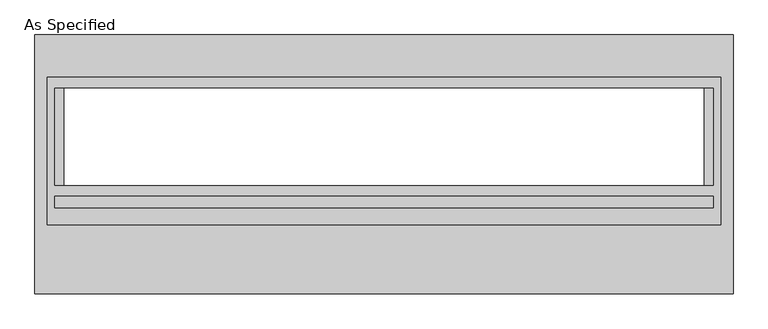
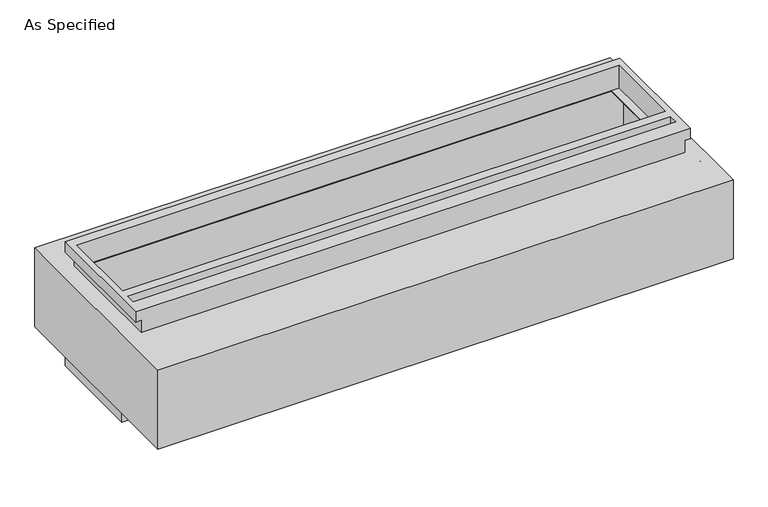
"""IFC4 building model written with IfcOpenShell, lengths in millimetres: proxy geometry, As Specified."""

from ifc_helpers import new_model, si_unit, frame, origin, place, context, project, spatial, polyline, circle_curve, faceted_brep, source, transform, mapped, element, save
from ifc_brep_helpers import plane_surface, revolved_surface, advanced_brep


def as_specified_3e369093(model_context):
    return source(origin(), model_context, "Body", "SolidModel", [
        faceted_brep([(1765.3, 456.4558594, -682.7242188), (1765.3, -165.8441406, -682.7242188), (-1765.3, -165.8441406, -682.7242188), (-1765.3, 456.4558594, -682.7242188), (1727.2, -108.7933661, -682.7242188), (1727.2, 399.2065905, -682.7242188), (-1727.2, 399.2065905, -682.7242188), (-1727.2, -108.7933661, -682.7242188), (-1730.375, -165.8441406, -530.3242188), (1730.375, -165.8441406, -530.3242188), (1730.375, 421.5308594, -530.3242188), (-1730.375, 421.5308594, -530.3242188), (1727.2, 399.2065905, -530.3242188), (1727.2, -108.7933661, -530.3242188), (1676.4, -108.7933661, -530.3242188), (-1676.4, -108.7933661, -530.3242188), (-1727.2, -108.7933661, -530.3242188), (-1727.2, 399.2065905, -530.3242188), (-1676.4, 399.2065905, -530.3242188), (1676.4, 399.2065905, -530.3242188), (-1765.3, 456.4558594, -612.8742188), (1765.3, 456.4558594, -612.8742188), (-1765.3, -165.8441406, -612.8742188), (1765.3, -165.8441406, -612.8742188), (1730.375, -165.8441406, -612.8742188), (-1730.375, -165.8441406, -612.8742188), (-1730.375, 421.5308594, -612.8742188), (1730.375, 421.5308594, -612.8742188)], [[[0, 1, 2, 3], [4, 5, 6, 7]], [[8, 9, 10, 11], [12, 13, 14, 15, 16, 17, 18, 19]], [[0, 3, 20, 21]], [[3, 2, 22, 20]], [[2, 1, 23, 24, 9, 8, 25, 22]], [[1, 0, 21, 23]], [[26, 27, 24, 23, 21, 20, 22, 25]], [[27, 10, 9, 24]], [[27, 26, 11, 10]], [[11, 26, 25, 8]], [[12, 5, 4, 13]], [[13, 4, 7, 16, 15, 14]], [[16, 7, 6, 17]], [[5, 12, 19, 18, 17, 6]]]),
        advanced_brep(
        [(1831.18125, 678.7058594, -530.3242188), (1831.18125, -678.7058594, -530.3242188), (-1831.18125, -678.7058594, -530.3242188), (-1831.18125, 678.7058594, -530.3242188), (1676.4, -108.7933661, -530.3242188), (1676.4, 399.2065905, -530.3242188), (-1676.4, 399.2065905, -530.3242188), (-1676.4, -108.7933661, -530.3242188), (1831.18125, 678.7058594, 0.0), (-1831.18125, 678.7058594, 0.0), (-1831.18125, -678.7058594, 0.0), (1831.18125, -678.7058594, 0.0), (1676.4, 399.2065905, 0.0), (1676.4, -108.7933661, 0.0), (-1676.4, -108.7933661, 0.0), (-1676.4, 399.2065905, 0.0), (1831.18125, -318.2441406, -430.3117188), (1831.18125, -340.4691406, -430.3117188), (1831.18125, -216.6441406, -430.3117188), (1831.18125, -238.8691406, -430.3117188), (1831.18125, -318.2441406, -100.1117188), (1831.18125, -340.4691406, -100.1117188), (1831.18125, -216.6441406, -100.1117188), (1831.18125, -238.8691406, -100.1117188), (1765.3, 416.7683594, -527.05), (-1765.3, 416.7683594, -527.05), (-1765.3, -129.3316406, -527.05), (1765.3, -129.3316406, -527.05), (1676.4, 399.2065905, -527.05), (1676.4, -108.7933661, -527.05), (-1676.4, -108.7933661, -527.05), (-1676.4, 399.2065905, -527.05), (1765.3, 416.7683594, -3.175), (1765.3, -129.3316406, -3.175), (-1765.3, -129.3316406, -3.175), (-1765.3, 416.7683594, -3.175), (1676.4, -108.7933661, -3.175), (1676.4, 399.2065905, -3.175), (-1676.4, 399.2065905, -3.175), (-1676.4, -108.7933661, -3.175), (1815.328271, -340.4691406, -430.3117188), (1815.328271, -318.2441406, -430.3117188), (1815.328271, -238.8691406, -430.3117188), (1815.328271, -216.6441406, -430.3117188), (1815.328271, -340.4691406, -100.1117188), (1815.328271, -318.2441406, -100.1117188), (1815.328271, -238.8691406, -100.1117188), (1815.328271, -216.6441406, -100.1117188)],
        [
            (0, 1),
            (1, 2),
            (2, 3),
            (3, 0),
            (4, 5),
            (5, 6),
            (6, 7),
            (7, 4),
            (8, 9),
            (9, 10),
            (10, 11),
            (11, 8),
            (12, 13),
            (13, 14),
            (14, 15),
            (15, 12),
            (3, 9),
            (8, 0),
            (2, 10),
            (1, 11),
            (16, 17, circle_curve(frame((1831.18125, -329.3566406, -430.3117188), z_axis=(-1.0, 0.0, 0.0), x_axis=(0.0, 1.0, 0.0)), 11.1125)),
            (17, 16, circle_curve(frame((1831.18125, -329.3566406, -430.3117188), z_axis=(-1.0, 0.0, 0.0), x_axis=(0.0, 1.0, 0.0)), 11.1125)),
            (18, 19, circle_curve(frame((1831.18125, -227.7566406, -430.3117188), z_axis=(-1.0, 0.0, 0.0), x_axis=(0.0, 1.0, 0.0)), 11.1125)),
            (19, 18, circle_curve(frame((1831.18125, -227.7566406, -430.3117188), z_axis=(-1.0, 0.0, 0.0), x_axis=(0.0, 1.0, 0.0)), 11.1125)),
            (20, 21, circle_curve(frame((1831.18125, -329.3566406, -100.1117188), z_axis=(-1.0, 0.0, 0.0), x_axis=(0.0, 1.0, 0.0)), 11.1125)),
            (21, 20, circle_curve(frame((1831.18125, -329.3566406, -100.1117188), z_axis=(-1.0, 0.0, 0.0), x_axis=(0.0, 1.0, 0.0)), 11.1125)),
            (22, 23, circle_curve(frame((1831.18125, -227.7566406, -100.1117188), z_axis=(-1.0, 0.0, 0.0), x_axis=(0.0, 1.0, 0.0)), 11.1125)),
            (23, 22, circle_curve(frame((1831.18125, -227.7566406, -100.1117188), z_axis=(-1.0, 0.0, 0.0), x_axis=(0.0, 1.0, 0.0)), 11.1125)),
            (24, 25),
            (25, 26),
            (26, 27),
            (27, 24),
            (28, 29),
            (29, 30),
            (30, 31),
            (31, 28),
            (32, 33),
            (33, 34),
            (34, 35),
            (35, 32),
            (36, 37),
            (37, 38),
            (38, 39),
            (39, 36),
            (27, 33),
            (32, 24),
            (26, 34),
            (25, 35),
            (12, 37),
            (36, 13),
            (39, 14),
            (38, 15),
            (40, 41, circle_curve(frame((1815.328271, -329.3566406, -430.3117188), z_axis=(1.0, 0.0, 0.0), x_axis=(0.0, 1.0, 0.0)), 11.1125)),
            (41, 40, circle_curve(frame((1815.328271, -329.3566406, -430.3117188), z_axis=(1.0, 0.0, 0.0), x_axis=(0.0, 1.0, 0.0)), 11.1125)),
            (42, 43, circle_curve(frame((1815.328271, -227.7566406, -430.3117188), z_axis=(1.0, 0.0, 0.0), x_axis=(0.0, 1.0, 0.0)), 11.1125)),
            (43, 42, circle_curve(frame((1815.328271, -227.7566406, -430.3117188), z_axis=(1.0, 0.0, 0.0), x_axis=(0.0, 1.0, 0.0)), 11.1125)),
            (44, 45, circle_curve(frame((1815.328271, -329.3566406, -100.1117188), z_axis=(1.0, 0.0, 0.0), x_axis=(0.0, 1.0, 0.0)), 11.1125)),
            (45, 44, circle_curve(frame((1815.328271, -329.3566406, -100.1117188), z_axis=(1.0, 0.0, 0.0), x_axis=(0.0, 1.0, 0.0)), 11.1125)),
            (46, 47, circle_curve(frame((1815.328271, -227.7566406, -100.1117188), z_axis=(1.0, 0.0, 0.0), x_axis=(0.0, 1.0, 0.0)), 11.1125)),
            (47, 46, circle_curve(frame((1815.328271, -227.7566406, -100.1117188), z_axis=(1.0, 0.0, 0.0), x_axis=(0.0, 1.0, 0.0)), 11.1125)),
            (40, 17),
            (16, 41),
            (42, 19),
            (18, 43),
            (44, 21),
            (20, 45),
            (46, 23),
            (22, 47),
            (4, 29),
            (28, 5),
            (7, 30),
            (6, 31),
        ],
        [
            plane_surface(frame((-1831.18125, 678.7058594, -530.3242188), z_axis=(0.0, 0.0, -1.0), x_axis=(1.0, 0.0, 0.0))),
            plane_surface(frame((-1831.18125, 678.7058594, 0.0), z_axis=(0.0, 0.0, 1.0), x_axis=(-1.0, 0.0, 0.0))),
            plane_surface(frame((1831.18125, 678.7058594, 0.0), z_axis=(0.0, 1.0, 0.0), x_axis=(0.0, 0.0, -1.0))),
            plane_surface(frame((-1831.18125, 678.7058594, 0.0), z_axis=(-1.0, 0.0, 0.0), x_axis=(0.0, 0.0, -1.0))),
            plane_surface(frame((-1831.18125, -678.7058594, 0.0), z_axis=(0.0, -1.0, 0.0), x_axis=(0.0, 0.0, -1.0))),
            plane_surface(frame((1831.18125, -678.7058594, 0.0), z_axis=(1.0, 0.0, 0.0), x_axis=(0.0, 0.0, -1.0))),
            plane_surface(frame((1765.3, 416.7683594, -527.05), z_axis=(0.0, 0.0, 1.0), x_axis=(0.0, -1.0, 0.0))),
            plane_surface(frame((1765.3, 416.7683594, -3.175), z_axis=(0.0, 0.0, -1.0), x_axis=(0.0, 1.0, 0.0))),
            plane_surface(frame((1765.3, 416.7683594, -527.05), z_axis=(-1.0, 0.0, 0.0), x_axis=(0.0, 0.0, 1.0))),
            plane_surface(frame((1765.3, -129.3316406, -527.05), z_axis=(0.0, 1.0, 0.0), x_axis=(0.0, 0.0, 1.0))),
            plane_surface(frame((-1765.3, -129.3316406, -527.05), z_axis=(1.0, 0.0, 0.0), x_axis=(0.0, 0.0, 1.0))),
            plane_surface(frame((-1765.3, 416.7683594, -527.05), z_axis=(0.0, -1.0, 0.0), x_axis=(0.0, 0.0, 1.0))),
            plane_surface(frame((1676.4, 399.2065905, -25.4), z_axis=(-1.0, 0.0, 0.0), x_axis=(0.0, 0.0, 1.0))),
            plane_surface(frame((1676.4, -108.7933661, -25.4), z_axis=(0.0, 1.0, 0.0), x_axis=(0.0, 0.0, 1.0))),
            plane_surface(frame((-1676.4, -108.7933661, -25.4), z_axis=(1.0, 0.0, 0.0), x_axis=(0.0, 0.0, 1.0))),
            plane_surface(frame((-1676.4, 399.2065905, -25.4), z_axis=(0.0, -1.0, 0.0), x_axis=(0.0, 0.0, 1.0))),
            plane_surface(frame((1815.328271, -318.2441406, -430.3117188), z_axis=(1.0, 0.0, 0.0), x_axis=(0.0, 0.0, -1.0))),
            revolved_surface(polyline([(1831.18125, -318.2441406, -430.3117188), (1815.328271, -318.2441406, -430.3117188)]), (1815.328271, -329.3566406, -430.3117188), (1.0, 0.0, 0.0)),
            revolved_surface(polyline([(1831.18125, -216.6441406, -430.3117188), (1815.328271, -216.6441406, -430.3117188)]), (0.0, -227.7566406, -430.3117188), (1.0, 0.0, 0.0)),
            revolved_surface(polyline([(1831.18125, -318.2441406, -100.1117187), (1815.328271, -318.2441406, -100.1117187)]), (0.0, -329.3566406, -100.1117187), (1.0, 0.0, 0.0)),
            revolved_surface(polyline([(1831.18125, -216.6441406, -100.1117188), (1815.328271, -216.6441406, -100.1117188)]), (0.0, -227.7566406, -100.1117188), (1.0, 0.0, 0.0)),
            plane_surface(frame((1676.4, -108.7933661, -504.9242188), z_axis=(-1.0, 0.0, 0.0), x_axis=(0.0, 0.0, -1.0))),
            plane_surface(frame((-1676.4, -108.7933661, -504.9242188), z_axis=(0.0, 1.0, 0.0), x_axis=(0.0, 0.0, -1.0))),
            plane_surface(frame((-1676.4, 399.2065905, -504.9242188), z_axis=(1.0, 0.0, 0.0), x_axis=(0.0, 0.0, -1.0))),
            plane_surface(frame((1676.4, 399.2065905, -504.9242188), z_axis=(0.0, -1.0, 0.0), x_axis=(0.0, 0.0, -1.0))),
        ],
        [
            (0, [[1, 2, 3, 4], [5, 6, 7, 8]]),
            (1, [[9, 10, 11, 12], [13, 14, 15, 16]]),
            (2, [[-4, 17, -9, 18]]),
            (3, [[-3, 19, -10, -17]]),
            (4, [[-2, 20, -11, -19]]),
            (5, [[-1, -18, -12, -20], [21, 22], [23, 24], [25, 26], [27, 28]]),
            (6, [[29, 30, 31, 32], [33, 34, 35, 36]]),
            (7, [[37, 38, 39, 40], [41, 42, 43, 44]]),
            (8, [[-32, 45, -37, 46]]),
            (9, [[-31, 47, -38, -45]]),
            (10, [[-30, 48, -39, -47]]),
            (11, [[-29, -46, -40, -48]]),
            (12, [[49, -41, 50, -13]]),
            (13, [[-50, -44, 51, -14]]),
            (14, [[-51, -43, 52, -15]]),
            (15, [[-49, -16, -52, -42]]),
            (16, [[53, 54]]),
            (16, [[55, 56]]),
            (16, [[57, 58]]),
            (16, [[59, 60]]),
            (17, [[-53, 61, -21, 62]]),
            (17, [[-54, -62, -22, -61]]),
            (18, [[-55, 63, -23, 64]]),
            (18, [[-56, -64, -24, -63]]),
            (19, [[-57, 65, -25, 66]]),
            (19, [[-58, -66, -26, -65]]),
            (20, [[-59, 67, -27, 68]]),
            (20, [[-60, -68, -28, -67]]),
            (21, [[69, -33, 70, -5]]),
            (22, [[-69, -8, 71, -34]]),
            (23, [[-71, -7, 72, -35]]),
            (24, [[-72, -6, -70, -36]]),
        ],
    ),
        faceted_brep([(1765.3, 456.4558594, 152.4), (-1765.3, 456.4558594, 152.4), (-1765.3, -318.2441406, 152.4), (1765.3, -318.2441406, 152.4), (1727.2, 399.2065905, 152.4), (1727.2, -108.7933661, 152.4), (-1727.2, -108.7933661, 152.4), (-1727.2, 399.2065905, 152.4), (1727.2, -167.4316406, 152.4), (1727.2, -227.7566406, 152.4), (-1727.2, -227.7566406, 152.4), (-1727.2, -167.4316406, 152.4), (1730.375, -318.2441406, 0.0), (-1730.375, -318.2441406, 0.0), (-1730.375, 421.5308594, 0.0), (1730.375, 421.5308594, 0.0), (1727.2, -108.7933661, 0.0), (1727.2, 399.2065905, 0.0), (-1727.2, 399.2065905, 0.0), (-1727.2, -108.7933661, 0.0), (1765.3, 456.4558594, 82.55), (-1765.3, 456.4558594, 82.55), (-1765.3, -318.2441406, 82.55), (-1730.375, -318.2441406, 82.55), (1730.375, -318.2441406, 82.55), (1765.3, -318.2441406, 82.55), (1730.375, 421.5308594, 82.55), (-1730.375, 421.5308594, 82.55), (1727.2, -167.4316406, 82.55), (-1727.2, -167.4316406, 82.55), (-1727.2, -227.7566406, 82.55), (1727.2, -227.7566406, 82.55)], [[[0, 1, 2, 3], [4, 5, 6, 7], [8, 9, 10, 11]], [[12, 13, 14, 15], [16, 17, 18, 19]], [[1, 0, 20, 21]], [[2, 1, 21, 22]], [[3, 2, 22, 23, 13, 12, 24, 25]], [[0, 3, 25, 20]], [[24, 26, 27, 23, 22, 21, 20, 25]], [[26, 24, 12, 15]], [[27, 26, 15, 14]], [[23, 27, 14, 13]], [[16, 5, 4, 17]], [[5, 16, 19, 6]], [[6, 19, 18, 7]], [[17, 4, 7, 18]], [[28, 29, 30, 31]], [[28, 31, 9, 8]], [[31, 30, 10, 9]], [[30, 29, 11, 10]], [[29, 28, 8, 11]]]),
    ])


if __name__ == "__main__":
    model = new_model("IFC4")
    model_context = context("Model", 3, world=origin())
    ifc_project = project(units=[si_unit("LENGTHUNIT", "METRE", prefix="MILLI")], contexts=[model_context])
    site = spatial("IfcSite", under=ifc_project)
    building = spatial("IfcBuilding", under=site)
    placement = place(None, origin())
    as_specified_shape = as_specified_3e369093(model_context)
    element("IfcBuildingElementProxy", 1, Name="As Specified", ObjectType="As Specified", at=placement, inside=building, context=model_context, shape_type="MappedRepresentation", body=[
        mapped(as_specified_shape, transform((0.0, 0.0, 0.0), x_axis=(1.0, 0.0, 0.0), y_axis=(0.0, 1.0, 0.0), z_axis=(0.0, 0.0, 1.0))),
    ])
    save(model, "model.ifc")
